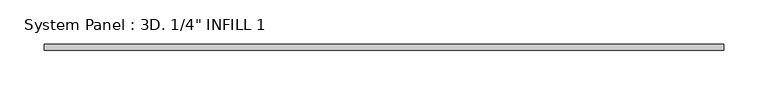
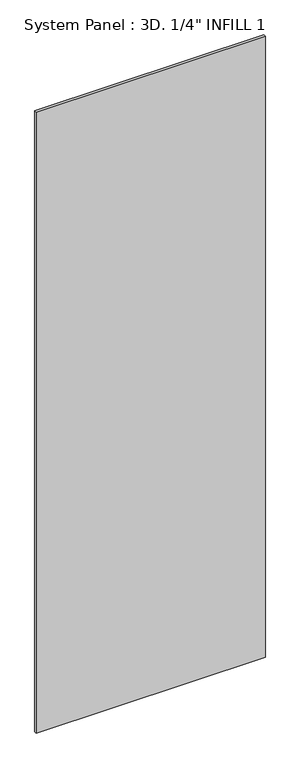
"""IFC4 building model written with IfcOpenShell, lengths in millimetres: plate geometry."""

from ifc_helpers import new_model, si_unit, origin, origin_with_axes, place, context, project, spatial, polyline, outline, extrude, source, transform, mapped, element, save


def plate_f4048ebc(model_context):
    return source(origin(), model_context, "Body", "SweptSolid", [
        extrude(outline(polyline([(382.6664778, -20.7367188), (-382.6664778, -20.7367188), (-382.6664778, -14.3867188), (382.6664778, -14.3867188), (382.6664778, -20.7367188)])), origin_with_axes(), (0.0, 0.0, 1.0), 2189.2555786),
    ])


if __name__ == "__main__":
    model = new_model("IFC4")
    model_context = context("Model", 3, world=origin())
    ifc_project = project(units=[si_unit("LENGTHUNIT", "METRE", prefix="MILLI")], contexts=[model_context])
    site = spatial("IfcSite", under=ifc_project)
    building = spatial("IfcBuilding", under=site)
    placement = place(None, origin())
    plate_shape = plate_f4048ebc(model_context)
    element("IfcPlate", 1, ObjectType="System Panel : 3D. 1/4\" INFILL 1", at=placement, inside=building, context=model_context, shape_type="MappedRepresentation", body=[
        mapped(plate_shape, transform((0.0, 0.0, 0.0), x_axis=(1.0, 0.0, 0.0), y_axis=(0.0, 1.0, 0.0), z_axis=(0.0, 0.0, 1.0))),
    ])
    save(model, "model.ifc")
